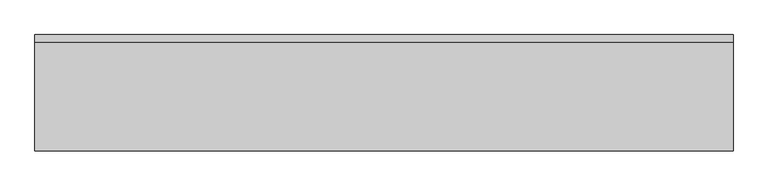
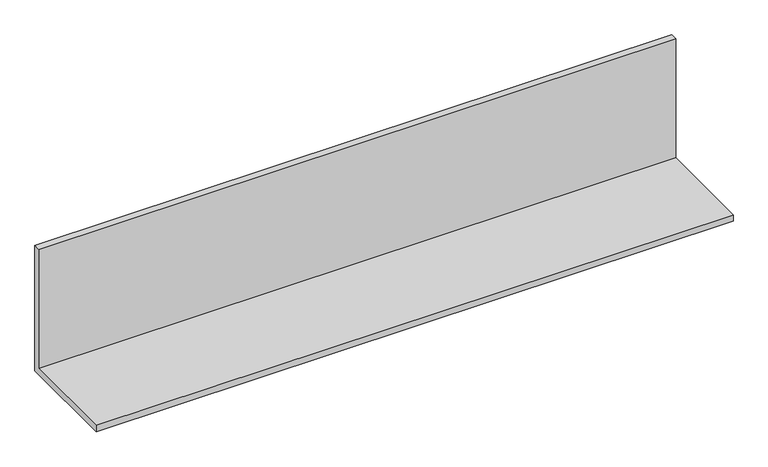
"""IFC4 building model written with IfcOpenShell, lengths in millimetres: furniture geometry."""

from ifc_helpers import new_model, si_unit, frame, origin, place, context, project, spatial, polyline, outline, extrude, source, transform, mapped, element, save


def furniture_15c5012d(model_context):
    return source(origin(), model_context, "Body", "SweptSolid", [
        extrude(outline(polyline([(57.15, 1311.275), (-247.65, 1311.275), (-247.65, 1330.325), (38.1, 1330.325), (38.1, 1692.275), (57.15, 1692.275), (57.15, 1311.275)])), frame((0.0, 0.0, 0.0), z_axis=(1.0, 0.0, 0.0), x_axis=(0.0, 1.0, 0.0)), (0.0, 0.0, 1.0), 1828.8),
    ])


if __name__ == "__main__":
    model = new_model("IFC4")
    model_context = context("Model", 3, world=origin())
    ifc_project = project(units=[si_unit("LENGTHUNIT", "METRE", prefix="MILLI")], contexts=[model_context])
    site = spatial("IfcSite", under=ifc_project)
    building = spatial("IfcBuilding", under=site)
    placement = place(None, origin())
    furniture_shape = furniture_15c5012d(model_context)
    element("IfcFurniture", 1, at=placement, inside=building, context=model_context, shape_type="MappedRepresentation", body=[
        mapped(furniture_shape, transform((0.0, 0.0, 0.0), x_axis=(1.0, 0.0, 0.0), y_axis=(0.0, 1.0, 0.0), z_axis=(0.0, 0.0, 1.0))),
    ])
    save(model, "model.ifc")
